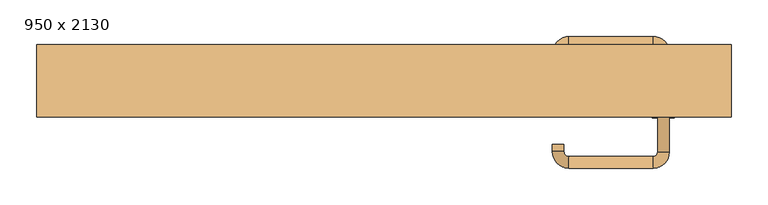
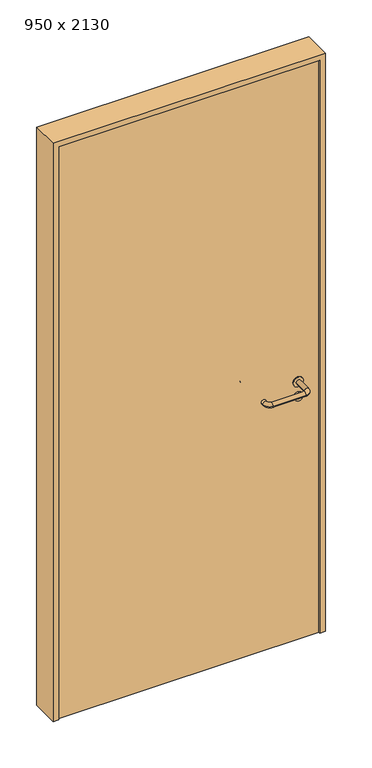
"""IFC4 building model written with IfcOpenShell, lengths in millimetres: door geometry, 950 x 2130."""

from ifc_helpers import new_model, si_unit, point, frame, frame_2d, origin, origin_with_axes, place, context, project, spatial, polyline, circle_curve, ellipse_curve, trimmed, segment, composite_curve, outline, extrude, source, transform, mapped, element, save
from ifc_brep_helpers import plane_surface, cylinder_surface, revolved_surface, advanced_brep


def door_950_x_2130_ac1c2366(model_context):
    return source(origin(), model_context, "Body", "SolidModel", [
        extrude(outline(composite_curve([segment(trimmed(circle_curve(frame_2d((897.3605726, 382.0)), 15.0), [point((897.3605726, 397.0))], [point((897.3605726, 367.0))], False, "CARTESIAN"), True, "CONTINUOUS"), segment(trimmed(circle_curve(frame_2d((897.3605726, 382.0)), 15.0), [point((897.3605726, 367.0))], [point((897.3605726, 397.0))], False, "CARTESIAN"), True, "CONTINUOUS")], self_intersect=False), holes=[composite_curve([segment(trimmed(circle_curve(frame_2d((892.5833211, 381.9398032)), 2.0), [point((892.5833211, 383.9398032))], [point((892.5833211, 379.9398032))], True, "CARTESIAN"), True, "CONTINUOUS"), segment(polyline([(892.5833211, 379.9398032), (902.5833211, 379.9398032)]), True, "CONTINUOUS"), segment(trimmed(circle_curve(frame_2d((902.5833211, 381.9398032)), 2.0), [point((902.5833211, 379.9398032))], [point((902.5833211, 383.9398032))], True, "CARTESIAN"), True, "CONTINUOUS"), segment(polyline([(902.5833211, 383.9398032), (892.5833211, 383.9398032)]), True, "CONTINUOUS")], self_intersect=False)]), frame((0.0, -15.0, 0.0), z_axis=(0.0, 1.0, 0.0), x_axis=(0.0, 0.0, 1.0)), (0.0, 0.0, 1.0), 6.35),
        extrude(outline(composite_curve([segment(trimmed(circle_curve(frame_2d((950.0, 382.0)), 17.526), [point((950.0, 399.526))], [point((950.0, 364.474))], False, "CARTESIAN"), True, "CONTINUOUS"), segment(trimmed(circle_curve(frame_2d((950.0, 382.0)), 17.526), [point((950.0, 364.474))], [point((950.0, 399.526))], False, "CARTESIAN"), True, "CONTINUOUS")], self_intersect=False)), frame((0.0, -15.0, 0.0), z_axis=(0.0, 1.0, 0.0), x_axis=(0.0, 0.0, 1.0)), (0.0, 0.0, 1.0), 3.175),
        advanced_brep(
        [(390.0, -15.0, 950.0), (374.0, -15.0, 950.0), (390.0, 38.0, 950.0), (374.0, 38.0, 950.0), (367.8578644, 44.1421356, 950.0), (367.8578644, 60.1421356, 950.0), (252.8578644, 60.1421356, 950.0), (252.8578644, 44.1421356, 950.0), (246.008622, 37.2928932, 950.0), (230.008622, 37.2928932, 950.0), (230.008622, 27.2928932, 950.0), (246.008622, 27.2928932, 950.0)],
        [
            (0, 1, circle_curve(frame((382.0, -15.0, 950.0), z_axis=(0.0, -1.0, 0.0), x_axis=(-1.0, 0.0, 0.0)), 8.0)),
            (1, 0, circle_curve(frame((382.0, -15.0, 950.0), z_axis=(0.0, -1.0, 0.0), x_axis=(-1.0, 0.0, 0.0)), 8.0)),
            (0, 2),
            (2, 3, circle_curve(frame((382.0, 38.0, 950.0), z_axis=(0.0, -1.0, 0.0), x_axis=(-1.0, 0.0, 0.0)), 8.0)),
            (3, 1),
            (3, 2, circle_curve(frame((382.0, 38.0, 950.0), z_axis=(0.0, -1.0, 0.0), x_axis=(-1.0, 0.0, 0.0)), 8.0)),
            (4, 3, circle_curve(frame((367.8578644, 38.0, 950.0), z_axis=(0.0, 0.0, -1.0), x_axis=(1.0, 0.0, 0.0)), 6.1421356)),
            (2, 5, circle_curve(frame((367.8578644, 38.0, 950.0), z_axis=(0.0, 0.0, 1.0), x_axis=(1.0, 0.0, 0.0)), 22.1421356)),
            (5, 4, circle_curve(frame((367.8578644, 52.1421356, 950.0), z_axis=(1.0, 0.0, 0.0), x_axis=(0.0, -1.0, 0.0)), 8.0)),
            (4, 5, circle_curve(frame((367.8578644, 52.1421356, 950.0), z_axis=(1.0, 0.0, 0.0), x_axis=(0.0, -1.0, 0.0)), 8.0)),
            (5, 6),
            (6, 7, circle_curve(frame((252.8578644, 52.1421356, 950.0), z_axis=(1.0, 0.0, 0.0), x_axis=(0.0, -1.0, 0.0)), 8.0)),
            (7, 4),
            (7, 6, circle_curve(frame((252.8578644, 52.1421356, 950.0), z_axis=(1.0, 0.0, 0.0), x_axis=(0.0, -1.0, 0.0)), 8.0)),
            (8, 7, circle_curve(frame((252.8578644, 37.2928932, 950.0), z_axis=(0.0, 0.0, -1.0), x_axis=(0.0, 1.0, 0.0)), 6.8492424)),
            (6, 9, circle_curve(frame((252.8578644, 37.2928932, 950.0), z_axis=(0.0, 0.0, 1.0), x_axis=(0.0, 1.0, 0.0)), 22.8492424)),
            (9, 8, circle_curve(frame((238.008622, 37.2928932, 950.0), z_axis=(0.0, 1.0, 0.0), x_axis=(1.0, 0.0, 0.0)), 8.0)),
            (8, 9, circle_curve(frame((238.008622, 37.2928932, 950.0), z_axis=(0.0, 1.0, 0.0), x_axis=(1.0, 0.0, 0.0)), 8.0)),
            (10, 11, circle_curve(frame((238.008622, 27.2928932, 950.0), z_axis=(0.0, -1.0, 0.0), x_axis=(1.0, 0.0, 0.0)), 8.0)),
            (11, 10, circle_curve(frame((238.008622, 27.2928932, 950.0), z_axis=(0.0, -1.0, 0.0), x_axis=(1.0, 0.0, 0.0)), 8.0)),
            (9, 10),
            (11, 8),
        ],
        [
            plane_surface(frame((382.0, -15.0, 0.0), z_axis=(0.0, -1.0, 0.0), x_axis=(0.0, 0.0, 1.0))),
            cylinder_surface(frame((382.0, -15.0, 950.0), z_axis=(0.0, -1.0, 0.0), x_axis=(-1.0, 0.0, 0.0)), 8.0),
            revolved_surface(trimmed(ellipse_curve(frame((382.0, 38.0, 950.0), z_axis=(0.0, -1.0, 0.0), x_axis=(-1.0, 0.0, 0.0)), 8.0, 8.0), [point((390.0, 38.0, 950.0))], [point((374.0, 38.0, 950.0))], True, "CARTESIAN"), (367.8578644, 38.0, 0.0), (0.0, 0.0, 1.0)),
            revolved_surface(trimmed(ellipse_curve(frame((382.0, 38.0, 950.0), z_axis=(0.0, -1.0, 0.0), x_axis=(-1.0, 0.0, 0.0)), 8.0, 8.0), [point((374.0, 38.0, 950.0))], [point((390.0, 38.0, 950.0))], True, "CARTESIAN"), (367.8578644, 38.0, 0.0), (0.0, 0.0, 1.0)),
            cylinder_surface(frame((367.8578644, 52.1421356, 950.0), z_axis=(1.0, 0.0, 0.0), x_axis=(0.0, -1.0, 0.0)), 8.0),
            revolved_surface(trimmed(ellipse_curve(frame((252.8578644, 52.1421356, 950.0), z_axis=(1.0, 0.0, 0.0), x_axis=(0.0, -1.0, 0.0)), 8.0, 8.0), [point((252.8578644, 60.1421356, 950.0))], [point((252.8578644, 44.1421356, 950.0))], True, "CARTESIAN"), (252.8578644, 37.2928932, 0.0), (0.0, 0.0, 1.0)),
            revolved_surface(trimmed(ellipse_curve(frame((252.8578644, 52.1421356, 950.0), z_axis=(1.0, 0.0, 0.0), x_axis=(0.0, -1.0, 0.0)), 8.0, 8.0), [point((252.8578644, 44.1421356, 950.0))], [point((252.8578644, 60.1421356, 950.0))], True, "CARTESIAN"), (252.8578644, 37.2928932, 0.0), (0.0, 0.0, 1.0)),
            plane_surface(frame((238.008622, 27.2928932, 0.0), z_axis=(0.0, -1.0, 0.0), x_axis=(0.0, 0.0, 1.0))),
            cylinder_surface(frame((238.008622, 37.2928932, 950.0), z_axis=(0.0, 1.0, 0.0), x_axis=(1.0, 0.0, 0.0)), 8.0),
        ],
        [
            (0, [[1, 2]]),
            (1, [[-1, 3, 4, 5]]),
            (1, [[-2, -5, 6, -3]]),
            (2, [[7, -4, 8, 9]]),
            (3, [[-8, -6, -7, 10]]),
            (4, [[-9, 11, 12, 13]]),
            (4, [[-10, -13, 14, -11]]),
            (5, [[15, -12, 16, 17]]),
            (6, [[-16, -14, -15, 18]]),
            (7, [[19, 20]]),
            (8, [[-17, 21, -20, 22]]),
            (8, [[-18, -22, -19, -21]]),
        ],
    ),
        extrude(outline(composite_curve([segment(trimmed(circle_curve(frame_2d((0.0, 15.0)), 15.0), [point((0.0, 30.0))], [point((0.0, 0.0))], False, "CARTESIAN"), True, "CONTINUOUS"), segment(trimmed(circle_curve(frame_2d((0.0, 15.0)), 15.0), [point((0.0, 0.0))], [point((0.0, 30.0))], False, "CARTESIAN"), True, "CONTINUOUS")], self_intersect=False), holes=[composite_curve([segment(trimmed(circle_curve(frame_2d((-4.7772515, 14.9398032)), 2.0), [point((-4.7772515, 16.9398032))], [point((-4.7772515, 12.9398032))], True, "CARTESIAN"), True, "CONTINUOUS"), segment(polyline([(-4.7772515, 12.9398032), (5.2227485, 12.9398032)]), True, "CONTINUOUS"), segment(trimmed(circle_curve(frame_2d((5.2227485, 14.9398032)), 2.0), [point((5.2227485, 12.9398032))], [point((5.2227485, 16.9398032))], True, "CARTESIAN"), True, "CONTINUOUS"), segment(polyline([(5.2227485, 16.9398032), (-4.7772515, 16.9398032)]), True, "CONTINUOUS")], self_intersect=False)]), frame((367.0, -51.35, 897.3605726), z_axis=(-1.8870575173328306e-12, 1.0, 0.0), x_axis=(0.0, 0.0, 1.0)), (0.0, 0.0, 1.0), 6.35),
        extrude(outline(composite_curve([segment(trimmed(circle_curve(frame_2d((0.0, 17.526)), 17.526), [point((0.0, 35.052))], [point((0.0, 0.0))], False, "CARTESIAN"), True, "CONTINUOUS"), segment(trimmed(circle_curve(frame_2d((0.0, 17.526)), 17.526), [point((0.0, 0.0))], [point((0.0, 35.052))], False, "CARTESIAN"), True, "CONTINUOUS")], self_intersect=False)), frame((364.474, -48.175, 950.0), z_axis=(-1.8870575173328306e-12, 1.0, 0.0), x_axis=(0.0, 0.0, 1.0)), (0.0, 0.0, 1.0), 3.175),
        advanced_brep(
        [(390.0, -45.0, 950.0), (374.0, -45.0, 950.0), (374.0, -98.0, 950.0), (390.0, -98.0, 950.0), (367.8578644, -104.1421356, 950.0), (367.8578644, -120.1421356, 950.0), (252.8578644, -104.1421356, 950.0), (252.8578644, -120.1421356, 950.0), (246.008622, -97.2928932, 950.0), (230.008622, -97.2928932, 950.0), (230.008622, -87.2928932, 950.0), (246.008622, -87.2928932, 950.0)],
        [
            (0, 1, circle_curve(frame((382.0, -45.0, 950.0), z_axis=(-1.888672253512351e-12, 1.0, 0.0), x_axis=(-1.0, -1.888672253512351e-12, 0.0)), 8.0)),
            (1, 0, circle_curve(frame((382.0, -45.0, 950.0), z_axis=(-1.888672253512351e-12, 1.0, 0.0), x_axis=(-1.0, -1.888672253512351e-12, 0.0)), 8.0)),
            (1, 2),
            (2, 3, circle_curve(frame((382.0, -98.0, 950.0), z_axis=(-1.888672253512351e-12, 1.0, 0.0), x_axis=(-1.0, -1.888672253512351e-12, 0.0)), 8.0)),
            (3, 0),
            (3, 2, circle_curve(frame((382.0, -98.0, 950.0), z_axis=(-1.888672253512351e-12, 1.0, 0.0), x_axis=(-1.0, -1.888672253512351e-12, 0.0)), 8.0)),
            (4, 5, circle_curve(frame((367.8578644, -112.1421356, 950.0), z_axis=(1.0, 1.913702061528922e-12, 0.0), x_axis=(-1.913702061528922e-12, 1.0, 0.0)), 8.0)),
            (5, 3, circle_curve(frame((367.8578644, -98.0, 950.0), z_axis=(0.0, 0.0, 1.0), x_axis=(1.0, 1.880717803715015e-12, 0.0)), 22.1421356)),
            (2, 4, circle_curve(frame((367.8578644, -98.0, 950.0), z_axis=(0.0, 0.0, -1.0), x_axis=(1.0, 1.880717803715015e-12, 0.0)), 6.1421356)),
            (5, 4, circle_curve(frame((367.8578644, -112.1421356, 950.0), z_axis=(1.0, 1.913702061528922e-12, 0.0), x_axis=(-1.913702061528922e-12, 1.0, 0.0)), 8.0)),
            (4, 6),
            (6, 7, circle_curve(frame((252.8578644, -112.1421356, 950.0), z_axis=(1.0, 1.913719828541269e-12, 0.0), x_axis=(-1.913719828541269e-12, 1.0, 0.0)), 8.0)),
            (7, 5),
            (7, 6, circle_curve(frame((252.8578644, -112.1421356, 950.0), z_axis=(1.0, 1.913719828541269e-12, 0.0), x_axis=(-1.913719828541269e-12, 1.0, 0.0)), 8.0)),
            (8, 9, circle_curve(frame((238.008622, -97.2928932, 950.0), z_axis=(1.8888942981172756e-12, -1.0, 0.0), x_axis=(1.0, 1.8888942981172756e-12, 0.0)), 8.0)),
            (9, 7, circle_curve(frame((252.8578644, -97.2928932, 950.0), z_axis=(0.0, 0.0, 1.0), x_axis=(1.9120873253494017e-12, -1.0, 0.0)), 22.8492424)),
            (6, 8, circle_curve(frame((252.8578644, -97.2928932, 950.0), z_axis=(0.0, 0.0, -1.0), x_axis=(1.9120873253494017e-12, -1.0, 0.0)), 6.8492424)),
            (9, 8, circle_curve(frame((238.008622, -97.2928932, 950.0), z_axis=(1.890448610351751e-12, -1.0, 0.0), x_axis=(1.0, 1.890448610351751e-12, 0.0)), 8.0)),
            (10, 11, circle_curve(frame((238.008622, -87.2928932, 950.0), z_axis=(-1.8903642334018795e-12, 1.0, 0.0), x_axis=(1.0, 1.8903642334018795e-12, 0.0)), 8.0)),
            (11, 10, circle_curve(frame((238.008622, -87.2928932, 950.0), z_axis=(-1.8903642334018795e-12, 1.0, 0.0), x_axis=(1.0, 1.8903642334018795e-12, 0.0)), 8.0)),
            (8, 11),
            (10, 9),
        ],
        [
            plane_surface(frame((382.0, -45.0, 0.0), z_axis=(-1.8870575173328306e-12, 1.0, 0.0), x_axis=(0.0, 0.0, 1.0))),
            cylinder_surface(frame((382.0, -45.0, 950.0), z_axis=(-1.888672253512351e-12, 1.0, 0.0), x_axis=(-1.0, -1.888672253512351e-12, 0.0)), 8.0),
            revolved_surface(trimmed(ellipse_curve(frame((382.0, -98.0, 950.0), z_axis=(1.8823325398945356e-12, -1.0, 0.0), x_axis=(-1.0, -1.8823325398945356e-12, 0.0)), 8.0, 8.0), [point((390.0, -98.0, 950.0))], [point((374.0, -98.0, 950.0))], True, "CARTESIAN"), (367.8578644, -98.0, 0.0), (0.0, 0.0, 1.0)),
            revolved_surface(trimmed(ellipse_curve(frame((382.0, -98.0, 950.0), z_axis=(1.8823325398945356e-12, -1.0, 0.0), x_axis=(-1.0, -1.8823325398945356e-12, 0.0)), 8.0, 8.0), [point((374.0, -98.0, 950.0))], [point((390.0, -98.0, 950.0))], True, "CARTESIAN"), (367.8578644, -98.0, 0.0), (0.0, 0.0, 1.0)),
            cylinder_surface(frame((367.8578644, -112.1421356, 950.0), z_axis=(1.0, 1.913719828541269e-12, 0.0), x_axis=(-1.913719828541269e-12, 1.0, 0.0)), 8.0),
            revolved_surface(trimmed(ellipse_curve(frame((252.8578644, -112.1421356, 950.0), z_axis=(-1.0, -1.913702061528922e-12, 0.0), x_axis=(-1.913702061528922e-12, 1.0, 0.0)), 8.0, 8.0), [point((252.8578644, -120.1421356, 950.0))], [point((252.8578644, -104.1421356, 950.0))], True, "CARTESIAN"), (252.8578644, -97.2928932, 0.0), (0.0, 0.0, 1.0)),
            revolved_surface(trimmed(ellipse_curve(frame((252.8578644, -112.1421356, 950.0), z_axis=(-1.0, -1.913702061528922e-12, 0.0), x_axis=(-1.913702061528922e-12, 1.0, 0.0)), 8.0, 8.0), [point((252.8578644, -104.1421356, 950.0))], [point((252.8578644, -120.1421356, 950.0))], True, "CARTESIAN"), (252.8578644, -97.2928932, 0.0), (0.0, 0.0, 1.0)),
            plane_surface(frame((238.008622, -87.2928932, 0.0), z_axis=(-1.8887494972223595e-12, 1.0, 0.0), x_axis=(0.0, 0.0, 1.0))),
            cylinder_surface(frame((238.008622, -97.2928932, 950.0), z_axis=(1.8903642334018795e-12, -1.0, 0.0), x_axis=(1.0, 1.8903642334018795e-12, 0.0)), 8.0),
        ],
        [
            (0, [[1, 2]]),
            (1, [[3, 4, 5, -2]]),
            (1, [[-5, 6, -3, -1]]),
            (2, [[7, 8, -4, 9]]),
            (3, [[10, -9, -6, -8]]),
            (4, [[11, 12, 13, -7]]),
            (4, [[-13, 14, -11, -10]]),
            (5, [[15, 16, -12, 17]]),
            (6, [[18, -17, -14, -16]]),
            (7, [[19, 20]]),
            (8, [[21, -19, 22, -15]]),
            (8, [[-22, -20, -21, -18]]),
        ],
    ),
        extrude(outline(polyline([(2110.0, 455.0), (0.0, 455.0), (0.0, 475.0), (2130.0, 475.0), (2130.0, -475.0), (0.0, -475.0), (0.0, -455.0), (2110.0, -455.0), (2110.0, 455.0)])), frame((0.0, -50.0, 0.0), z_axis=(0.0, 1.0, 0.0), x_axis=(0.0, 0.0, 1.0)), (0.0, 0.0, 1.0), 99.0),
        extrude(outline(polyline([(-455.0, -45.0), (-455.0, -15.0), (455.0, -15.0), (455.0, -45.0), (-455.0, -45.0)])), origin_with_axes(), (0.0, 0.0, 1.0), 2110.0),
    ])


if __name__ == "__main__":
    model = new_model("IFC4")
    model_context = context("Model", 3, world=origin())
    ifc_project = project(units=[si_unit("LENGTHUNIT", "METRE", prefix="MILLI")], contexts=[model_context])
    site = spatial("IfcSite", under=ifc_project)
    building = spatial("IfcBuilding", under=site)
    placement = place(None, origin())
    door_950_x_2130_shape = door_950_x_2130_ac1c2366(model_context)
    element("IfcDoor", 1, ObjectType="950 x 2130", at=placement, inside=building, context=model_context, shape_type="MappedRepresentation", body=[
        mapped(door_950_x_2130_shape, transform((0.0, 0.0, 0.0), x_axis=(1.0, 0.0, 0.0), y_axis=(0.0, 1.0, 0.0), z_axis=(0.0, 0.0, 1.0))),
    ])
    save(model, "model.ifc")
